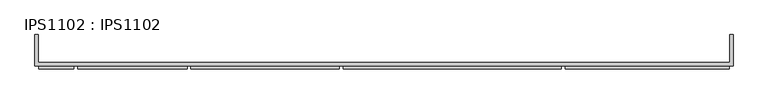
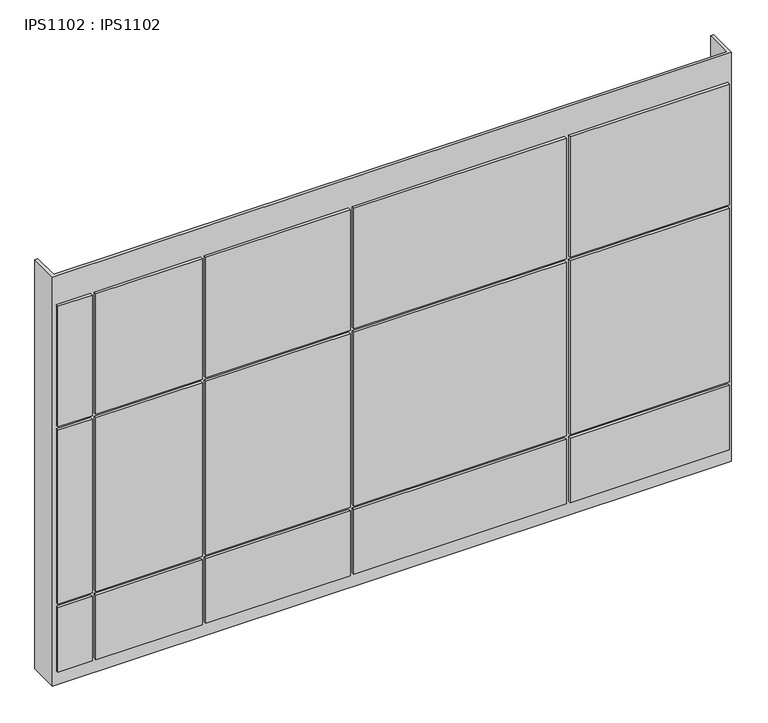
"""IFC4 building model written with IfcOpenShell, lengths in millimetres: proxy geometry, IPS1102 : IPS1102."""

from ifc_helpers import new_model, si_unit, frame, origin, origin_with_axes, place, context, project, spatial, polyline, outline, extrude, source, transform, mapped, element, save


def ips1102_ips1102_18639e12(model_context):
    return source(origin(), model_context, "Body", "SweptSolid", [
        extrude(outline(polyline([(4475.0, 0.0), (4475.0, -200.0), (0.0, -200.0), (0.0, 0.0), (20.0, 0.0), (20.0, -180.0), (4455.0, -180.0), (4455.0, 0.0), (4475.0, 0.0)])), origin_with_axes(), (0.0, 0.0, 1.0), 2850.0),
        extrude(outline(polyline([(250.0, -220.0), (25.0, -220.0), (25.0, -200.0), (250.0, -200.0), (250.0, -220.0)])), frame((0.0, 0.0, 1810.0), z_axis=(0.0, 0.0, 1.0), x_axis=(1.0, 0.0, 0.0)), (0.0, 0.0, 1.0), 840.0),
        extrude(outline(polyline([(250.0, -220.0), (25.0, -220.0), (25.0, -200.0), (250.0, -200.0), (250.0, -220.0)])), frame((0.0, 0.0, 575.0), z_axis=(0.0, 0.0, 1.0), x_axis=(1.0, 0.0, 0.0)), (0.0, 0.0, 1.0), 1210.0),
        extrude(outline(polyline([(250.0, -220.0), (25.0, -220.0), (25.0, -200.0), (250.0, -200.0), (250.0, -220.0)])), frame((0.0, 0.0, 100.0), z_axis=(0.0, 0.0, 1.0), x_axis=(1.0, 0.0, 0.0)), (0.0, 0.0, 1.0), 450.0),
        extrude(outline(polyline([(4450.0, -220.0), (3400.0, -220.0), (3400.0, -200.0), (4450.0, -200.0), (4450.0, -220.0)])), frame((0.0, 0.0, 1810.0), z_axis=(0.0, 0.0, 1.0), x_axis=(1.0, 0.0, 0.0)), (0.0, 0.0, 1.0), 840.0),
        extrude(outline(polyline([(4450.0, -220.0), (3400.0, -220.0), (3400.0, -200.0), (4450.0, -200.0), (4450.0, -220.0)])), frame((0.0, 0.0, 575.0), z_axis=(0.0, 0.0, 1.0), x_axis=(1.0, 0.0, 0.0)), (0.0, 0.0, 1.0), 1210.0),
        extrude(outline(polyline([(4450.0, -220.0), (3400.0, -220.0), (3400.0, -200.0), (4450.0, -200.0), (4450.0, -220.0)])), frame((0.0, 0.0, 100.0), z_axis=(0.0, 0.0, 1.0), x_axis=(1.0, 0.0, 0.0)), (0.0, 0.0, 1.0), 450.0),
        extrude(outline(polyline([(3375.0, -220.0), (1975.0, -220.0), (1975.0, -200.0), (3375.0, -200.0), (3375.0, -220.0)])), frame((0.0, 0.0, 1810.0), z_axis=(0.0, 0.0, 1.0), x_axis=(1.0, 0.0, 0.0)), (0.0, 0.0, 1.0), 840.0),
        extrude(outline(polyline([(3375.0, -220.0), (1975.0, -220.0), (1975.0, -200.0), (3375.0, -200.0), (3375.0, -220.0)])), frame((0.0, 0.0, 575.0), z_axis=(0.0, 0.0, 1.0), x_axis=(1.0, 0.0, 0.0)), (0.0, 0.0, 1.0), 1210.0),
        extrude(outline(polyline([(3375.0, -220.0), (1975.0, -220.0), (1975.0, -200.0), (3375.0, -200.0), (3375.0, -220.0)])), frame((0.0, 0.0, 100.0), z_axis=(0.0, 0.0, 1.0), x_axis=(1.0, 0.0, 0.0)), (0.0, 0.0, 1.0), 450.0),
        extrude(outline(polyline([(1950.0, -220.0), (1000.0, -220.0), (1000.0, -200.0), (1950.0, -200.0), (1950.0, -220.0)])), frame((0.0, 0.0, 1810.0), z_axis=(0.0, 0.0, 1.0), x_axis=(1.0, 0.0, 0.0)), (0.0, 0.0, 1.0), 840.0),
        extrude(outline(polyline([(1950.0, -220.0), (1000.0, -220.0), (1000.0, -200.0), (1950.0, -200.0), (1950.0, -220.0)])), frame((0.0, 0.0, 575.0), z_axis=(0.0, 0.0, 1.0), x_axis=(1.0, 0.0, 0.0)), (0.0, 0.0, 1.0), 1210.0),
        extrude(outline(polyline([(1950.0, -220.0), (1000.0, -220.0), (1000.0, -200.0), (1950.0, -200.0), (1950.0, -220.0)])), frame((0.0, 0.0, 100.0), z_axis=(0.0, 0.0, 1.0), x_axis=(1.0, 0.0, 0.0)), (0.0, 0.0, 1.0), 450.0),
        extrude(outline(polyline([(975.0, -220.0), (275.0, -220.0), (275.0, -200.0), (975.0, -200.0), (975.0, -220.0)])), frame((0.0, 0.0, 1810.0), z_axis=(0.0, 0.0, 1.0), x_axis=(1.0, 0.0, 0.0)), (0.0, 0.0, 1.0), 840.0),
        extrude(outline(polyline([(975.0, -220.0), (275.0, -220.0), (275.0, -200.0), (975.0, -200.0), (975.0, -220.0)])), frame((0.0, 0.0, 575.0), z_axis=(0.0, 0.0, 1.0), x_axis=(1.0, 0.0, 0.0)), (0.0, 0.0, 1.0), 1210.0),
        extrude(outline(polyline([(975.0, -220.0), (275.0, -220.0), (275.0, -200.0), (975.0, -200.0), (975.0, -220.0)])), frame((0.0, 0.0, 100.0), z_axis=(0.0, 0.0, 1.0), x_axis=(1.0, 0.0, 0.0)), (0.0, 0.0, 1.0), 450.0),
    ])


if __name__ == "__main__":
    model = new_model("IFC4")
    model_context = context("Model", 3, world=origin())
    ifc_project = project(units=[si_unit("LENGTHUNIT", "METRE", prefix="MILLI")], contexts=[model_context])
    site = spatial("IfcSite", under=ifc_project)
    building = spatial("IfcBuilding", under=site)
    placement = place(None, origin())
    ips1102_ips1102_shape = ips1102_ips1102_18639e12(model_context)
    element("IfcBuildingElementProxy", 1, Name="IPS1102 : IPS1102", ObjectType="IPS1102 : IPS1102", at=placement, inside=building, context=model_context, shape_type="MappedRepresentation", body=[
        mapped(ips1102_ips1102_shape, transform((0.0, 0.0, 0.0), x_axis=(1.0, 0.0, 0.0), y_axis=(0.0, 1.0, 0.0), z_axis=(0.0, 0.0, 1.0))),
    ])
    save(model, "model.ifc")
